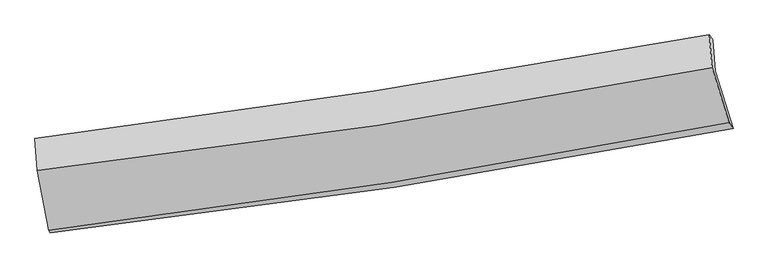
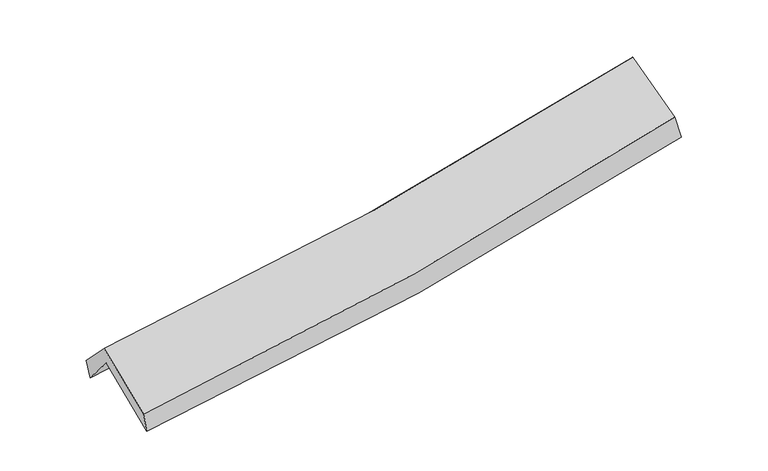
"""IFC4 building model written with IfcOpenShell, lengths in millimetres: proxy geometry."""

from ifc_helpers import new_model, si_unit, frame, origin, place, context, project, spatial, source, transform, mapped, element, save
from ifc_brep_helpers import plane_surface, spline_curve, spline_surface, advanced_brep


def generic_models_bc9ec31f(model_context):
    return source(origin(), model_context, "Body", "AdvancedBrep", [
        advanced_brep(
        [(-2812.0446758, -2518.552241, 1460.1174507), (-2910.8018086, -2002.585602, 1896.8350693), (2834.3921867, -1139.2127406, 2390.7789103), (2987.2512271, -1630.123862, 1969.1726092), (-2927.255616, -1749.9450994, 1594.6283429), (2815.7875022, -872.2474004, 2081.6008762), (-2942.5906073, -1713.4419043, 1760.5639327), (2786.2485711, -832.5598098, 2259.0653492), (-2922.2236025, -1984.3328043, 2040.5290379), (2808.6197522, -1110.6899711, 2556.2345344), (-2825.4307353, -2496.7446981, 1627.587995), (2953.5764218, -1577.286113, 2158.274587)],
        [
            (0, 1),
            (1, 2, spline_curve(3, [(-2910.8018086, -2002.585602, 1896.8350693), (-1944.858888648, -1886.695802695, 1945.48630881), (-982.38423144, -1756.669711806, 2011.063949719), (932.65898766, -1468.791347295, 2175.816559609), (1885.248995744, -1311.026484405, 2274.88686581), (2834.3921867, -1139.2127406, 2390.7789103)], [4, 2, 4], [0.0, 9.631263871753305, 19.23270447586183])),
            (2, 3),
            (3, 0, spline_curve(3, [(2987.2512271, -1630.123862, 1969.1726092), (2031.621902642, -1814.666584146, 1842.435774673), (1071.289278128, -1980.887295018, 1736.679291246), (-861.780092631, -2277.144085922, 1566.863700751), (-1834.546102531, -2407.066167911, 1502.935131601), (-2812.0446758, -2518.552241, 1460.1174507)], [4, 2, 4], [0.0, 9.601440604108525, 19.23270447586183])),
            (1, 4),
            (4, 5, spline_curve(3, [(-2927.255616, -1749.9450994, 1594.6283429), (-1961.900457203, -1630.95680842, 1644.37957898), (-999.899021044, -1498.186432487, 1709.923620091), (914.42794752, -1205.535312505, 1872.345451268), (1866.774217324, -1045.7397885, 1969.125588209), (2815.7875022, -872.2474004, 2081.6008762)], [4, 2, 4], [0.0, 9.581923198684695, 19.13417591342136])),
            (5, 2),
            (4, 6),
            (6, 7, spline_curve(3, [(-2942.5906073, -1713.4419043, 1760.5639327), (-1979.433677863, -1593.47601041, 1811.488430032), (-1019.716987449, -1459.95140138, 1878.581913914), (889.874799553, -1166.240197436, 2044.849032535), (1839.771168598, -1006.137441555, 2143.922687413), (2786.2485711, -832.5598098, 2259.0653492)], [4, 2, 4], [0.0, 9.57104613014495, 19.112455457251308])),
            (7, 5),
            (6, 8),
            (8, 9, spline_curve(3, [(-2922.2236025, -1984.3328043, 2040.5290379), (-1956.429699009, -1875.705439525, 2089.164477393), (-995.22903309, -1748.44644825, 2156.553330514), (915.023683321, -1457.116963144, 2328.571122831), (1864.104135516, -1293.161676837, 2433.084102299), (2808.6197522, -1110.6899711, 2556.2345344)], [4, 2, 4], [0.0, 9.563458463242263, 19.09730361870303])),
            (9, 7),
            (8, 10),
            (10, 11, spline_curve(3, [(-2825.4307353, -2496.7446981, 1627.587995), (-1851.33825102, -2376.898107907, 1674.796419817), (-881.968621015, -2240.208372766, 1742.725171424), (1044.337894361, -1933.618029737, 1919.748824363), (2001.303983807, -1763.82156927, 2028.715603702), (2953.5764218, -1577.286113, 2158.274587)], [4, 2, 4], [0.0, 9.612031043730694, 19.194298374386527])),
            (11, 9),
            (10, 0),
            (3, 11),
        ],
        [
            spline_surface(3, 3, [[(-2812.0446758, -2518.552241, 1460.1174507), (-1834.546102435, -2407.066167958, 1502.935131459), (-861.780092671, -2277.144085797, 1566.863700795), (1071.289278169, -1980.887295142, 1736.679291202), (2031.621902731, -1814.666584294, 1842.435774697), (2987.2512271, -1630.123862, 1969.1726092)], [(-2844.963720077, -2346.563361338, 1605.689990213), (-1871.317031182, -2233.60937949, 1650.452190554), (-901.981472302, -2103.652627775, 1714.930450413), (1025.079181379, -1810.18864584, 1883.05838072), (1982.830933764, -1646.786550939, 1986.586138414), (2936.298213638, -1466.48682152, 2109.708042874)], [(-2877.882764323, -2174.574481662, 1751.262529787), (-1908.087959896, -2060.152591008, 1797.96924971), (-942.182851941, -1930.161169819, 1862.997199991), (978.869084581, -1639.489996604, 2029.4374702), (1934.039964782, -1478.906517626, 2130.736502209), (2885.345200162, -1302.84978108, 2250.243476626)], [(-2910.8018086, -2002.585602, 1896.8350693), (-1944.858888643, -1886.695802539, 1945.486308805), (-982.384231572, -1756.669711798, 2011.063949609), (932.658987791, -1468.791347302, 2175.816559719), (1885.248995815, -1311.026484271, 2274.886865925), (2834.3921867, -1139.2127406, 2390.7789103)]], [4, 4], [4, 2, 4], [0.0, 2.2693247879170224], [0.0, 9.631263871753305, 19.23270447586183]),
            spline_surface(3, 3, [[(-2910.8018086, -2002.585602, 1896.8350693), (-1944.858888643, -1886.695802539, 1945.486308805), (-982.384231572, -1756.669711798, 2011.063949609), (932.658987791, -1468.791347302, 2175.816559719), (1885.248995815, -1311.026484271, 2274.886865925), (2834.3921867, -1139.2127406, 2390.7789103)], [(-2916.286411053, -1918.37210113, 1796.099493847), (-1950.539411486, -1801.449471112, 1845.117398901), (-988.222494731, -1670.508618713, 1910.68383973), (926.58197437, -1381.039335668, 2074.659523589), (1879.090736364, -1222.597585674, 2172.966440021), (2828.19062521, -1050.22429387, 2287.719565601)], [(-2921.771013547, -1834.15860027, 1695.363918353), (-1956.219934371, -1716.203139694, 1744.748488956), (-994.060757891, -1584.347525653, 1810.30372988), (920.504960948, -1293.287324058, 1973.502487487), (1872.932476883, -1134.168687067, 2071.046014114), (2821.98906369, -961.23584713, 2184.660220899)], [(-2927.255616, -1749.9450994, 1594.6283429), (-1961.900457214, -1630.956808267, 1644.379579052), (-999.89902105, -1498.186432569, 1709.923620001), (914.427947526, -1205.535312423, 1872.345451357), (1866.774217432, -1045.739788469, 1969.12558821), (2815.7875022, -872.2474004, 2081.6008762)]], [4, 4], [4, 2, 4], [0.0, 1.3113311614891074], [0.0, 9.581923198684695, 19.13417591342136]),
            spline_surface(3, 3, [[(-2927.255616, -1749.9450994, 1594.6283429), (-1961.900457214, -1630.956808267, 1644.379579052), (-999.89902105, -1498.186432569, 1709.923620001), (914.427947526, -1205.535312423, 1872.345451357), (1866.774217432, -1045.739788469, 1969.12558821), (2815.7875022, -872.2474004, 2081.6008762)], [(-2932.367279772, -1737.777367705, 1649.940206145), (-1967.744864118, -1618.463209003, 1700.082529355), (-1006.505009868, -1485.441422204, 1766.143051325), (906.243564858, -1192.43694073, 1929.84664508), (1857.773201149, -1032.539006154, 2027.391287948), (2805.941191842, -859.018203534, 2140.755700552)], [(-2937.478943528, -1725.609635995, 1705.252069455), (-1973.589271006, -1605.969609725, 1755.785479721), (-1013.110998642, -1472.696411838, 1822.362482623), (898.059182232, -1179.338569036, 1987.347838778), (1848.772184839, -1019.338223838, 2085.65698763), (2796.094881458, -845.789006666, 2199.910524848)], [(-2942.5906073, -1713.4419043, 1760.5639327), (-1979.433677909, -1593.476010461, 1811.488430024), (-1019.71698746, -1459.951401472, 1878.581913947), (889.874799563, -1166.240197343, 2044.849032502), (1839.771168556, -1006.137441522, 2143.922687368), (2786.2485711, -832.5598098, 2259.0653492)]], [4, 4], [4, 2, 4], [0.0, 0.5784921770680644], [0.0, 9.57104613014495, 19.112455457251308]),
            spline_surface(3, 3, [[(-2942.5906073, -1713.4419043, 1760.5639327), (-1979.433677909, -1593.476010461, 1811.488430024), (-1019.71698746, -1459.951401472, 1878.581913947), (889.874799563, -1166.240197343, 2044.849032502), (1839.771168556, -1006.137441522, 2143.922687368), (2786.2485711, -832.5598098, 2259.0653492)], [(-2935.801605685, -1803.738870968, 1853.885634457), (-1971.765684946, -1687.552486829, 1904.047112548), (-1011.554335978, -1556.116417054, 1971.239052788), (898.257760798, -1263.199119308, 2139.423062643), (1847.882157519, -1101.812186642, 2240.309825624), (2793.705631453, -925.269863578, 2358.121744255)], [(-2929.012604115, -1894.035837632, 1947.207336143), (-1964.097692027, -1781.628963193, 1996.605794999), (-1003.391684508, -1652.281432606, 2063.896191603), (906.640722022, -1360.158041242, 2233.997092759), (1855.993146522, -1197.48693173, 2336.696963918), (2801.162691847, -1017.979917322, 2457.178139345)], [(-2922.2236025, -1984.3328043, 2040.5290379), (-1956.429699064, -1875.705439561, 2089.164477523), (-995.229033026, -1748.446448187, 2156.553330444), (915.023683257, -1457.116963206, 2328.571122901), (1864.104135485, -1293.16167685, 2433.084102175), (2808.6197522, -1110.6899711, 2556.2345344)]], [4, 4], [4, 2, 4], [0.0, 1.326212587220721], [0.0, 9.563458463242263, 19.09730361870303]),
            spline_surface(3, 3, [[(-2922.2236025, -1984.3328043, 2040.5290379), (-1956.429699064, -1875.705439561, 2089.164477523), (-995.229033026, -1748.446448187, 2156.553330444), (915.023683257, -1457.116963206, 2328.571122901), (1864.104135485, -1293.16167685, 2433.084102175), (2808.6197522, -1110.6899711, 2556.2345344)], [(-2889.959313453, -2155.1367689, 1902.882023601), (-1921.399216358, -2042.769662294, 1951.041791656), (-957.475562389, -1912.367089765, 2018.610610719), (958.128420337, -1615.950651998, 2192.297023431), (1909.837418238, -1450.048307696, 2298.294602731), (2856.938642056, -1266.222018398, 2423.581218607)], [(-2857.695024347, -2325.9407335, 1765.235009299), (-1886.368733593, -2209.833885028, 1812.919105785), (-919.722091771, -2076.287731343, 1880.667891008), (1001.233157399, -1774.78434079, 2056.022923973), (1955.570701022, -1606.93493855, 2163.505103267), (2905.257531944, -1421.754065702, 2290.927902793)], [(-2825.4307353, -2496.7446981, 1627.587995), (-1851.338250888, -2376.898107762, 1674.796419918), (-881.968621134, -2240.208372921, 1742.725171283), (1044.337894479, -1933.618029581, 1919.748824503), (2001.303983774, -1763.821569396, 2028.715603823), (2953.5764218, -1577.286113, 2158.274587)]], [4, 4], [4, 2, 4], [0.0, 2.1219340829549007], [0.0, 9.612031043730694, 19.194298374386527]),
            spline_surface(3, 3, [[(-2825.4307353, -2496.7446981, 1627.587995), (-1851.338250888, -2376.898107762, 1674.796419918), (-881.968621134, -2240.208372921, 1742.725171283), (1044.337894479, -1933.618029581, 1919.748824503), (2001.303983774, -1763.821569396, 2028.715603823), (2953.5764218, -1577.286113, 2158.274587)], [(-2820.96871546, -2504.013879059, 1571.764480236), (-1845.740868064, -2386.95412782, 1617.509323768), (-875.239111646, -2252.520277233, 1684.104681104), (1053.321689043, -1949.374451455, 1858.72564672), (2011.40995676, -1780.769907697, 1966.62232746), (2964.801356901, -1594.898696001, 2095.240594412)], [(-2816.50669564, -2511.283060041, 1515.940965464), (-1840.143485259, -2397.0101479, 1560.222227609), (-868.50960216, -2264.832181485, 1625.484190974), (1062.305483605, -1965.130873269, 1797.702468986), (2021.515929745, -1797.718245993, 1904.52905106), (2976.026291999, -1612.511278999, 2032.206601788)], [(-2812.0446758, -2518.552241, 1460.1174507), (-1834.546102435, -2407.066167958, 1502.935131459), (-861.780092671, -2277.144085797, 1566.863700795), (1071.289278169, -1980.887295142, 1736.679291202), (2031.621902731, -1814.666584294, 1842.435774697), (2987.2512271, -1630.123862, 1969.1726092)]], [4, 4], [4, 2, 4], [0.0, 0.6096553752534459], [0.0, 9.668953361384059, 19.307966749387557]),
            plane_surface(frame((2864.3126102, -1193.6866495, 2235.8544777), z_axis=(0.9722874985539243, 0.20268897352159984, 0.11650836952130593), x_axis=(0.23003301111255972, -0.7404455125290409, -0.6315261330888018))),
            plane_surface(frame((-2890.0578409, -2077.6003915, 1730.0436381), z_axis=(-0.9886153408991355, -0.13749341728155964, -0.0611168384581955), x_axis=(-0.0790138434921639, 0.12872330183879843, 0.9885277558573221))),
        ],
        [
            (0, [[1, 2, 3, 4]]),
            (1, [[5, 6, 7, -2]]),
            (2, [[8, 9, 10, -6]]),
            (3, [[11, 12, 13, -9]]),
            (4, [[14, 15, 16, -12]]),
            (5, [[17, -4, 18, -15]]),
            (6, [[-16, -18, -3, -7, -10, -13]]),
            (7, [[-17, -14, -11, -8, -5, -1]]),
        ],
    ),
    ])


if __name__ == "__main__":
    model = new_model("IFC4")
    model_context = context("Model", 3, world=origin())
    ifc_project = project(units=[si_unit("LENGTHUNIT", "METRE", prefix="MILLI")], contexts=[model_context])
    site = spatial("IfcSite", under=ifc_project)
    building = spatial("IfcBuilding", under=site)
    placement = place(None, origin())
    generic_models_shape = generic_models_bc9ec31f(model_context)
    element("IfcBuildingElementProxy", 1, Name="Generic Models", at=placement, inside=building, context=model_context, shape_type="MappedRepresentation", body=[
        mapped(generic_models_shape, transform((0.0, 0.0, 0.0), x_axis=(1.0, 0.0, 0.0), y_axis=(0.0, 1.0, 0.0), z_axis=(0.0, 0.0, 1.0))),
    ])
    save(model, "model.ifc")
